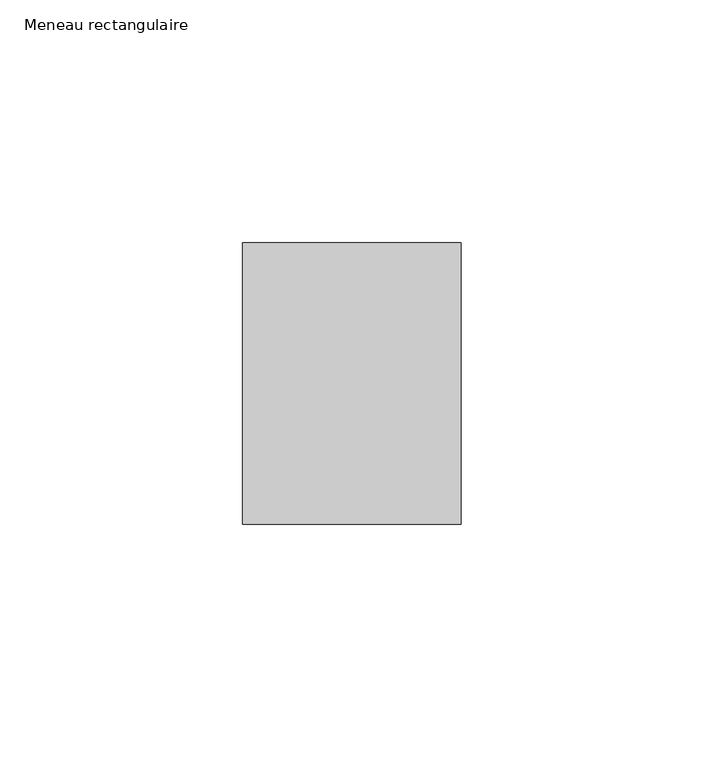
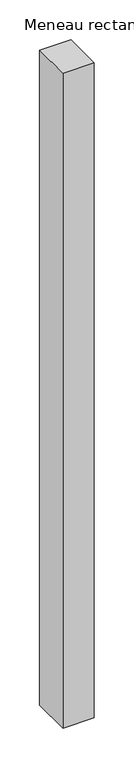
"""IFC4 building model written with IfcOpenShell, lengths in millimetres: member geometry, Meneau rectangulaire."""

from ifc_helpers import new_model, si_unit, frame, origin, place, context, project, spatial, polyline, outline, extrude, source, transform, mapped, element, save


def meneau_rectangulaire_a5b31faa(model_context):
    return source(origin(), model_context, "Body", "SweptSolid", [
        extrude(outline(polyline([(-45.0, 29.0), (0.0, 29.0), (0.0, -29.0), (-45.0, -29.0), (-45.0, 29.0)])), frame((0.0, 0.0, -1001.5497353), z_axis=(0.0, 0.0, 1.0), x_axis=(1.0, 0.0, 0.0)), (0.0, 0.0, 1.0), 1001.5497353),
    ])


if __name__ == "__main__":
    model = new_model("IFC4")
    model_context = context("Model", 3, world=origin())
    ifc_project = project(units=[si_unit("LENGTHUNIT", "METRE", prefix="MILLI")], contexts=[model_context])
    site = spatial("IfcSite", under=ifc_project)
    building = spatial("IfcBuilding", under=site)
    placement = place(None, origin())
    meneau_rectangulaire_shape = meneau_rectangulaire_a5b31faa(model_context)
    element("IfcMember", 1, ObjectType="Meneau rectangulaire", at=placement, inside=building, context=model_context, shape_type="MappedRepresentation", body=[
        mapped(meneau_rectangulaire_shape, transform((0.0, 0.0, 0.0), x_axis=(1.0, 0.0, 0.0), y_axis=(0.0, 1.0, 0.0), z_axis=(0.0, 0.0, 1.0))),
    ])
    save(model, "model.ifc")
